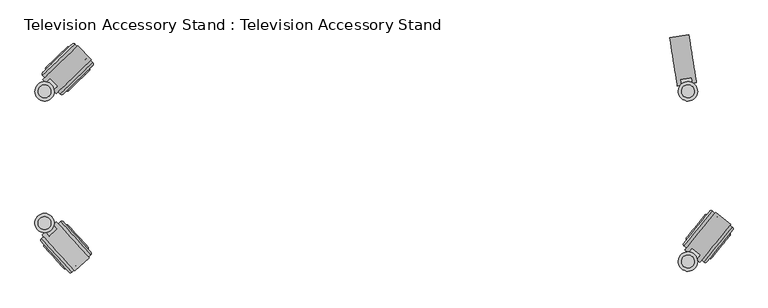
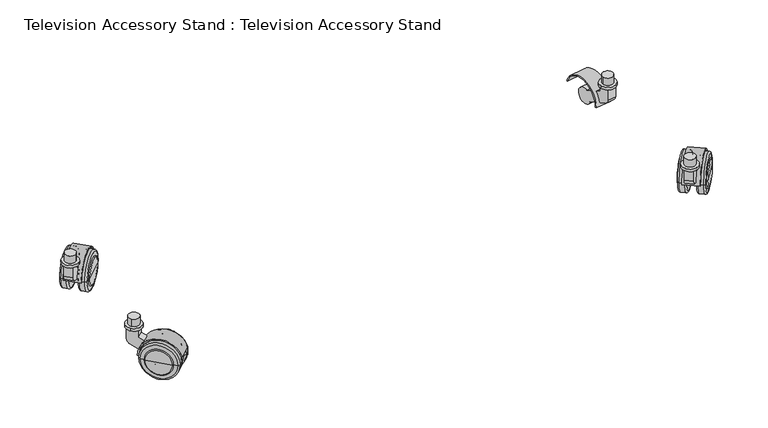
"""IFC4 building model written with IfcOpenShell, lengths in millimetres: furniture geometry, Television Accessory Stand : Television Accessory Stand."""

from ifc_helpers import new_model, si_unit, point, frame, frame_2d, origin, origin_2d, place, context, project, spatial, polyline, circle_curve, ellipse_curve, trimmed, segment, composite_curve, outline, extrude, source, transform, mapped, element, save
from ifc_brep_helpers import plane_surface, cylinder_surface, revolved_surface, advanced_brep


def television_accessory_stand_television_accessory_stand_86fd488f(model_context):
    return source(origin(), model_context, "Body", "SolidModel", [
        extrude(outline(composite_curve([segment(polyline([(-37.0, 0.0), (-39.0000001, 0.0)]), True, "CONTINUOUS"), segment(trimmed(circle_curve(origin_2d(), 39.0), [point((-39.0000001, 0.0))], [point((36.6480122, 13.3387856))], False, "CARTESIAN"), True, "CONTINUOUS"), segment(polyline([(36.6480122, 13.3387856), (34.768627, 12.6547453)]), True, "CONTINUOUS"), segment(trimmed(circle_curve(origin_2d(), 37.0), [point((34.768627, 12.6547453))], [point((-37.0, 0.0))], True, "CARTESIAN"), True, "CONTINUOUS")], self_intersect=False)), frame((146.3868656, -76.0571785, 35.0), z_axis=(-0.6946583704590072, 0.7193398003386415, 0.0), x_axis=(-0.6759583022158301, -0.6527653446874928, -0.34202014332566927)), (0.0, 0.0, 1.0), 30.0),
        extrude(outline(composite_curve([segment(polyline([(25.0, 0.0), (5.0, 0.0), (5.0, 21.6846171)]), True, "CONTINUOUS"), segment(trimmed(circle_curve(frame_2d((15.0, 21.6846171)), 10.0), [point((5.0, 21.6846171))], [point((10.7738174, 30.747695))], False, "CARTESIAN"), True, "CONTINUOUS"), segment(polyline([(10.7738174, 30.747695), (50.6409883, 49.3380621)]), True, "CONTINUOUS"), segment(trimmed(circle_curve(frame_2d((65.0, 45.0)), 15.0), [point((50.6409883, 49.3380621))], [point((80.0, 45.0))], False, "CARTESIAN"), True, "CONTINUOUS"), segment(trimmed(circle_curve(frame_2d((65.0, 45.0)), 15.0), [point((80.0, 45.0))], [point((59.0933535, 31.2119063))], False, "CARTESIAN"), True, "CONTINUOUS"), segment(polyline([(59.0933535, 31.2119063), (25.0, 15.3139145), (25.0, 0.0)]), True, "CONTINUOUS")], self_intersect=False)), frame((94.76717, -116.174594, 80.0), z_axis=(-0.6946583704590072, 0.7193398003386416, 0.0), x_axis=(0.7193398003386416, 0.6946583704590072, 0.0)), (0.0, 0.0, 1.0), 16.0),
        extrude(outline(composite_curve([segment(trimmed(circle_curve(frame_2d((100.0, -100.0)), 15.0), [point((89.5801244, -89.209903))], [point((110.4198756, -110.790097))], False, "CARTESIAN"), True, "CONTINUOUS"), segment(trimmed(circle_curve(frame_2d((100.0, -100.0)), 15.0), [point((110.4198756, -110.790097))], [point((89.5801244, -89.209903))], False, "CARTESIAN"), True, "CONTINUOUS")], self_intersect=False)), frame((0.0, 0.0, 80.0), z_axis=(0.0, 0.0, 1.0), x_axis=(1.0, 0.0, 0.0)), (0.0, 0.0, 1.0), 5.0),
        extrude(outline(composite_curve([segment(trimmed(circle_curve(frame_2d((100.0, -100.0)), 10.0), [point((93.0534163, -92.806602))], [point((106.9465837, -107.193398))], False, "CARTESIAN"), True, "CONTINUOUS"), segment(trimmed(circle_curve(frame_2d((100.0, -100.0)), 10.0), [point((106.9465837, -107.193398))], [point((93.0534163, -92.806602))], False, "CARTESIAN"), True, "CONTINUOUS")], self_intersect=False)), frame((0.0, 0.0, 85.0), z_axis=(0.0, 0.0, 1.0), x_axis=(1.0, 0.0, 0.0)), (0.0, 0.0, 1.0), 15.0),
        advanced_brep(
        [(174.9630061, -59.582829, 35.0), (151.9441325, -81.8118969, 35.0), (128.9252589, -104.0409647, 35.0), (175.0370504, -55.3408345, 35.0), (124.6832644, -103.9669204, 35.0), (168.7851251, -48.8667763, 35.0), (118.4313391, -97.4928622, 35.0), (164.5431306, -48.792732, 35.0), (118.5053834, -93.2508677, 35.0), (141.524257, -71.0217999, 35.0)],
        [
            (0, 1),
            (1, 2),
            (2, 0, circle_curve(frame((151.9441325, -81.8118969, 35.0), z_axis=(0.6946583704590004, -0.7193398003386482, 0.0), x_axis=(-0.7193398003386482, -0.6946583704590004, 0.0)), 32.0)),
            (0, 2, circle_curve(frame((151.9441325, -81.8118969, 35.0), z_axis=(0.6946583704590004, -0.7193398003386482, 0.0), x_axis=(-0.7193398003386482, -0.6946583704590004, 0.0)), 32.0)),
            (3, 0, circle_curve(frame((172.879031, -57.4248096, 35.0), z_axis=(0.0, 0.0, -1.0), x_axis=(-0.694658370458998, 0.7193398003386504, 0.0)), 3.0)),
            (2, 4, circle_curve(frame((126.8412838, -101.8829453, 35.0), z_axis=(0.0, 0.0, -1.0), x_axis=(-0.6946583704590027, 0.719339800338646, 0.0)), 3.0)),
            (4, 3, circle_curve(frame((149.8601574, -79.6538775, 35.0), z_axis=(0.6946583704590004, -0.7193398003386482, 0.0), x_axis=(-0.7193398003386482, -0.6946583704590004, 0.0)), 35.0)),
            (3, 4, circle_curve(frame((149.8601574, -79.6538775, 35.0), z_axis=(0.6946583704590004, -0.7193398003386482, 0.0), x_axis=(-0.7193398003386482, -0.6946583704590004, 0.0)), 35.0)),
            (5, 3),
            (4, 6),
            (6, 5, circle_curve(frame((143.6082321, -73.1798193, 35.0), z_axis=(0.6946583704590004, -0.7193398003386482, 0.0), x_axis=(-0.7193398003386482, -0.6946583704590004, 0.0)), 35.0)),
            (5, 6, circle_curve(frame((143.6082321, -73.1798193, 35.0), z_axis=(0.6946583704590004, -0.7193398003386482, 0.0), x_axis=(-0.7193398003386482, -0.6946583704590004, 0.0)), 35.0)),
            (7, 5, circle_curve(frame((166.6271057, -50.9507514, 35.0), z_axis=(0.0, 0.0, -1.0), x_axis=(-0.694658370458998, 0.7193398003386504, 0.0)), 3.0)),
            (6, 8, circle_curve(frame((120.5893585, -95.4088871, 35.0), z_axis=(0.0, 0.0, -1.0), x_axis=(-0.6946583704590027, 0.719339800338646, 0.0)), 3.0)),
            (8, 7, circle_curve(frame((141.524257, -71.0217999, 35.0), z_axis=(0.6946583704590004, -0.7193398003386482, 0.0), x_axis=(-0.7193398003386482, -0.6946583704590004, 0.0)), 32.0)),
            (7, 8, circle_curve(frame((141.524257, -71.0217999, 35.0), z_axis=(0.6946583704590004, -0.7193398003386482, 0.0), x_axis=(-0.7193398003386482, -0.6946583704590004, 0.0)), 32.0)),
            (9, 7),
            (8, 9),
        ],
        [
            plane_surface(frame((151.9441325, -81.8118969, 35.0), z_axis=(0.6946583704590004, -0.7193398003386482, 0.0), x_axis=(-0.7193398003386482, -0.6946583704590004, 0.0))),
            revolved_surface(trimmed(ellipse_curve(frame((126.8412838, -101.8829453, 35.0), z_axis=(0.0, 0.0, -1.0), x_axis=(-0.6946583704590027, 0.719339800338646, 0.0)), 3.0, 3.0), [point((128.9252589, -104.0409647, 35.0))], [point((124.6832644, -103.9669204, 35.0))], True, "CARTESIAN"), (141.524257, -71.0217999, 35.0), (-0.6946583704590004, 0.7193398003386482, 0.0)),
            cylinder_surface(frame((141.524257, -71.0217999, 35.0), z_axis=(-0.6946583704590004, 0.7193398003386482, 0.0), x_axis=(-0.7193398003386482, -0.6946583704590004, 0.0)), 35.0),
            revolved_surface(trimmed(ellipse_curve(frame((120.5893585, -95.4088871, 35.0), z_axis=(0.0, 0.0, -1.0), x_axis=(-0.6946583704590027, 0.719339800338646, 0.0)), 3.0, 3.0), [point((118.4313391, -97.4928622, 35.0))], [point((118.5053834, -93.2508677, 35.0))], True, "CARTESIAN"), (141.524257, -71.0217999, 35.0), (-0.6946583704590004, 0.7193398003386482, 0.0)),
            plane_surface(frame((141.524257, -71.0217999, 35.0), z_axis=(-0.6946583704590004, 0.7193398003386482, 0.0), x_axis=(-0.7193398003386482, -0.6946583704590004, 0.0))),
        ],
        [
            (0, [[1, 2, 3]]),
            (0, [[-2, -1, 4]]),
            (1, [[5, -3, 6, 7]]),
            (1, [[-6, -4, -5, 8]]),
            (2, [[9, -7, 10, 11]]),
            (2, [[-10, -8, -9, 12]]),
            (3, [[13, -11, 14, 15]]),
            (3, [[-14, -12, -13, 16]]),
            (4, [[17, -15, 18]]),
            (4, [[-18, -16, -17]]),
        ],
    ),
        advanced_brep(
        [(169.8782647, -67.273434, 35.0), (153.3334493, -83.2505765, 35.0), (136.7886339, -99.227719, 35.0), (169.9276275, -64.4454376, 35.0), (133.9606375, -99.1783561, 35.0), (151.9441325, -81.8118969, 35.0)],
        [
            (0, 1),
            (1, 2),
            (2, 0, circle_curve(frame((153.3334493, -83.2505765, 35.0), z_axis=(0.6946583704590004, -0.7193398003386482, 0.0), x_axis=(-0.7193398003386482, -0.6946583704590004, 0.0)), 23.0)),
            (0, 2, circle_curve(frame((153.3334493, -83.2505765, 35.0), z_axis=(0.6946583704590004, -0.7193398003386482, 0.0), x_axis=(-0.7193398003386482, -0.6946583704590004, 0.0)), 23.0)),
            (3, 0, circle_curve(frame((168.4889479, -65.8347544, 35.0), z_axis=(0.0, 0.0, -1.0), x_axis=(-0.6946583704590041, 0.7193398003386445, 0.0)), 2.0)),
            (2, 4, circle_curve(frame((135.3993171, -97.7890394, 35.0), z_axis=(0.0, 0.0, -1.0), x_axis=(-0.6946583704589966, 0.7193398003386519, 0.0)), 2.0)),
            (4, 3, circle_curve(frame((151.9441325, -81.8118969, 35.0), z_axis=(0.6946583704590004, -0.7193398003386482, 0.0), x_axis=(-0.7193398003386482, -0.6946583704590004, 0.0)), 25.0)),
            (3, 4, circle_curve(frame((151.9441325, -81.8118969, 35.0), z_axis=(0.6946583704590004, -0.7193398003386482, 0.0), x_axis=(-0.7193398003386482, -0.6946583704590004, 0.0)), 25.0)),
            (5, 3),
            (4, 5),
        ],
        [
            plane_surface(frame((153.3334493, -83.2505765, 35.0), z_axis=(0.6946583704590004, -0.7193398003386482, 0.0), x_axis=(-0.7193398003386482, -0.6946583704590004, 0.0))),
            revolved_surface(trimmed(ellipse_curve(frame((135.3993171, -97.7890394, 35.0), z_axis=(0.0, 0.0, -1.0), x_axis=(-0.6946583704589966, 0.7193398003386519, 0.0)), 2.0, 2.0), [point((136.7886339, -99.227719, 35.0))], [point((133.9606375, -99.1783561, 35.0))], True, "CARTESIAN"), (151.9441325, -81.8118969, 35.0), (-0.6946583704590004, 0.7193398003386482, 0.0)),
            plane_surface(frame((151.9441325, -81.8118969, 35.0), z_axis=(-0.6946583704590004, 0.7193398003386482, 0.0), x_axis=(-0.7193398003386482, -0.6946583704590004, 0.0))),
        ],
        [
            (0, [[1, 2, 3]]),
            (0, [[-2, -1, 4]]),
            (1, [[5, -3, 6, 7]]),
            (1, [[-6, -4, -5, 8]]),
            (2, [[9, -7, 10]]),
            (2, [[-10, -8, -9]]),
        ],
    ),
        advanced_brep(
        [(153.4285967, -37.2832952, 35.0), (130.4097231, -59.5123631, 35.0), (107.3908494, -81.7414309, 35.0), (153.502641, -33.0413007, 35.0), (103.1488549, -81.6673866, 35.0), (147.2507156, -26.5672425, 35.0), (96.8969296, -75.1933284, 35.0), (143.0087211, -26.4931982, 35.0), (96.9709739, -70.9513339, 35.0), (119.9898475, -48.7222661, 35.0)],
        [
            (0, 1),
            (1, 2),
            (2, 0, circle_curve(frame((130.4097231, -59.5123631, 35.0), z_axis=(0.694658370459005, -0.7193398003386438, 0.0), x_axis=(-0.7193398003386438, -0.694658370459005, 0.0)), 32.0)),
            (0, 2, circle_curve(frame((130.4097231, -59.5123631, 35.0), z_axis=(0.694658370459005, -0.7193398003386438, 0.0), x_axis=(-0.7193398003386438, -0.694658370459005, 0.0)), 32.0)),
            (3, 0, circle_curve(frame((151.3446216, -35.1252758, 35.0), z_axis=(0.0, 0.0, -1.0), x_axis=(0.6946583704590074, -0.7193398003386415, 0.0)), 3.0)),
            (2, 4, circle_curve(frame((105.3068743, -79.5834115, 35.0), z_axis=(0.0, 0.0, -1.0), x_axis=(0.6946583704590027, -0.719339800338646, 0.0)), 3.0)),
            (4, 3, circle_curve(frame((128.3257479, -57.3543437, 35.0), z_axis=(0.694658370459005, -0.7193398003386438, 0.0), x_axis=(-0.7193398003386438, -0.694658370459005, 0.0)), 35.0)),
            (3, 4, circle_curve(frame((128.3257479, -57.3543437, 35.0), z_axis=(0.694658370459005, -0.7193398003386438, 0.0), x_axis=(-0.7193398003386438, -0.694658370459005, 0.0)), 35.0)),
            (5, 3),
            (4, 6),
            (6, 5, circle_curve(frame((122.0738226, -50.8802855, 35.0), z_axis=(0.694658370459005, -0.7193398003386438, 0.0), x_axis=(-0.7193398003386438, -0.694658370459005, 0.0)), 35.0)),
            (5, 6, circle_curve(frame((122.0738226, -50.8802855, 35.0), z_axis=(0.694658370459005, -0.7193398003386438, 0.0), x_axis=(-0.7193398003386438, -0.694658370459005, 0.0)), 35.0)),
            (7, 5, circle_curve(frame((145.0926962, -28.6512176, 35.0), z_axis=(0.0, 0.0, -1.0), x_axis=(0.6946583704590074, -0.7193398003386415, 0.0)), 3.0)),
            (6, 8, circle_curve(frame((99.054949, -73.1093533, 35.0), z_axis=(0.0, 0.0, -1.0), x_axis=(0.6946583704590027, -0.719339800338646, 0.0)), 3.0)),
            (8, 7, circle_curve(frame((119.9898475, -48.7222661, 35.0), z_axis=(0.694658370459005, -0.7193398003386438, 0.0), x_axis=(-0.7193398003386438, -0.694658370459005, 0.0)), 32.0)),
            (7, 8, circle_curve(frame((119.9898475, -48.7222661, 35.0), z_axis=(0.694658370459005, -0.7193398003386438, 0.0), x_axis=(-0.7193398003386438, -0.694658370459005, 0.0)), 32.0)),
            (9, 7),
            (8, 9),
        ],
        [
            plane_surface(frame((130.4097231, -59.5123631, 35.0), z_axis=(0.694658370459005, -0.7193398003386438, 0.0), x_axis=(-0.7193398003386438, -0.694658370459005, 0.0))),
            revolved_surface(trimmed(ellipse_curve(frame((105.3068743, -79.5834115, 35.0), z_axis=(0.0, 0.0, -1.0), x_axis=(0.6946583704590027, -0.719339800338646, 0.0)), 3.0, 3.0), [point((107.3908494, -81.7414309, 35.0))], [point((103.1488549, -81.6673866, 35.0))], True, "CARTESIAN"), (130.4097231, -59.5123631, 35.0), (-0.694658370459005, 0.7193398003386438, 0.0)),
            cylinder_surface(frame((130.4097231, -59.5123631, 35.0), z_axis=(-0.694658370459005, 0.7193398003386438, 0.0), x_axis=(-0.7193398003386438, -0.694658370459005, 0.0)), 35.0),
            revolved_surface(trimmed(ellipse_curve(frame((99.054949, -73.1093533, 35.0), z_axis=(0.0, 0.0, -1.0), x_axis=(0.6946583704590027, -0.719339800338646, 0.0)), 3.0, 3.0), [point((96.8969296, -75.1933284, 35.0))], [point((96.9709739, -70.9513339, 35.0))], True, "CARTESIAN"), (130.4097231, -59.5123631, 35.0), (-0.694658370459005, 0.7193398003386438, 0.0)),
            plane_surface(frame((119.9898475, -48.7222661, 35.0), z_axis=(-0.694658370459005, 0.7193398003386438, 0.0), x_axis=(-0.7193398003386438, -0.694658370459005, 0.0))),
        ],
        [
            (0, [[1, 2, 3]]),
            (0, [[-2, -1, 4]]),
            (1, [[5, -3, 6, 7]]),
            (1, [[-6, -4, -5, 8]]),
            (2, [[9, -7, 10, 11]]),
            (2, [[-10, -8, -9, 12]]),
            (3, [[13, -11, 14, 15]]),
            (3, [[-14, -12, -13, 16]]),
            (4, [[17, -15, 18]]),
            (4, [[-18, -16, -17]]),
        ],
    ),
        advanced_brep(
        [(137.9733425, -31.3558068, 35.0), (119.9898475, -48.7222661, 35.0), (102.0063525, -66.0887253, 35.0), (135.1453462, -31.3064439, 35.0), (102.0557153, -63.260729, 35.0), (118.6005308, -47.2835865, 35.0)],
        [
            (0, 1),
            (1, 2),
            (2, 0, circle_curve(frame((119.9898475, -48.7222661, 35.0), z_axis=(0.694658370459005, -0.7193398003386438, 0.0), x_axis=(-0.7193398003386438, -0.694658370459005, 0.0)), 25.0)),
            (0, 2, circle_curve(frame((119.9898475, -48.7222661, 35.0), z_axis=(0.694658370459005, -0.7193398003386438, 0.0), x_axis=(-0.7193398003386438, -0.694658370459005, 0.0)), 25.0)),
            (3, 0, circle_curve(frame((136.5346629, -32.7451235, 35.0), z_axis=(0.0, 0.0, -1.0), x_axis=(0.6946583704590013, -0.7193398003386474, 0.0)), 2.0)),
            (2, 4, circle_curve(frame((103.4450321, -64.6994086, 35.0), z_axis=(0.0, 0.0, -1.0), x_axis=(0.6946583704590088, -0.7193398003386401, 0.0)), 2.0)),
            (4, 3, circle_curve(frame((118.6005308, -47.2835865, 35.0), z_axis=(0.694658370459005, -0.7193398003386438, 0.0), x_axis=(-0.7193398003386438, -0.694658370459005, 0.0)), 23.0)),
            (3, 4, circle_curve(frame((118.6005308, -47.2835865, 35.0), z_axis=(0.694658370459005, -0.7193398003386438, 0.0), x_axis=(-0.7193398003386438, -0.694658370459005, 0.0)), 23.0)),
            (5, 3),
            (4, 5),
        ],
        [
            plane_surface(frame((119.9898475, -48.7222661, 35.0), z_axis=(0.694658370459005, -0.7193398003386438, 0.0), x_axis=(-0.7193398003386438, -0.694658370459005, 0.0))),
            revolved_surface(trimmed(ellipse_curve(frame((103.4450321, -64.6994086, 35.0), z_axis=(0.0, 0.0, -1.0), x_axis=(0.6946583704590088, -0.7193398003386401, 0.0)), 2.0, 2.0), [point((102.0063525, -66.0887253, 35.0))], [point((102.0557153, -63.260729, 35.0))], True, "CARTESIAN"), (119.9898475, -48.7222661, 35.0), (-0.694658370459005, 0.7193398003386438, 0.0)),
            plane_surface(frame((118.6005308, -47.2835865, 35.0), z_axis=(-0.694658370459005, 0.7193398003386438, 0.0), x_axis=(-0.7193398003386438, -0.694658370459005, 0.0))),
        ],
        [
            (0, [[1, 2, 3]]),
            (0, [[-2, -1, 4]]),
            (1, [[5, -3, 6, 7]]),
            (1, [[-6, -4, -5, 8]]),
            (2, [[9, -7, 10]]),
            (2, [[-10, -8, -9]]),
        ],
    ),
        extrude(outline(composite_curve([segment(polyline([(-37.0, 0.0), (-39.0, 0.0)]), True, "CONTINUOUS"), segment(trimmed(circle_curve(origin_2d(), 39.0), [point((-39.0, 0.0))], [point((36.6480122, 13.3387856))], False, "CARTESIAN"), True, "CONTINUOUS"), segment(polyline([(36.6480122, 13.3387856), (34.768627, 12.6547453)]), True, "CONTINUOUS"), segment(trimmed(circle_curve(origin_2d(), 37.0), [point((34.768627, 12.6547453))], [point((-37.0, 0.0))], True, "CARTESIAN"), True, "CONTINUOUS")], self_intersect=False)), frame((122.3093579, -352.1942004, 35.0), z_axis=(0.7431448254773843, 0.6691306063588693, 0.0), x_axis=(-0.6287770931374298, 0.6983277086763295, -0.34202014332566927)), (0.0, 0.0, 1.0), 30.0),
        extrude(outline(composite_curve([segment(polyline([(25.0, 0.0), (5.0, 0.0), (5.0, 21.6846171)]), True, "CONTINUOUS"), segment(trimmed(circle_curve(frame_2d((15.0, 21.6846171)), 10.0), [point((5.0, 21.6846171))], [point((10.7738174, 30.747695))], False, "CARTESIAN"), True, "CONTINUOUS"), segment(polyline([(10.7738174, 30.747695), (50.6409883, 49.3380621)]), True, "CONTINUOUS"), segment(trimmed(circle_curve(frame_2d((64.9999999, 45.0)), 15.0), [point((50.6409883, 49.3380621))], [point((80.0, 45.0))], False, "CARTESIAN"), True, "CONTINUOUS"), segment(trimmed(circle_curve(frame_2d((64.9999999, 45.0)), 15.0), [point((80.0, 45.0))], [point((59.0933535, 31.2119063))], False, "CARTESIAN"), True, "CONTINUOUS"), segment(polyline([(59.0933535, 31.2119063), (25.0, 15.3139145), (25.0, 0.0)]), True, "CONTINUOUS")], self_intersect=False)), frame((84.0178823, -299.2058725, 80.0), z_axis=(0.7431448254773843, 0.6691306063588693, 0.0), x_axis=(0.6691306063588693, -0.7431448254773843, 0.0)), (0.0, 0.0, 1.0), 16.0),
        extrude(outline(composite_curve([segment(trimmed(circle_curve(frame_2d((100.0, -305.0)), 15.0), [point((111.1471724, -294.9630409))], [point((88.8528276, -315.0369591))], False, "CARTESIAN"), True, "CONTINUOUS"), segment(trimmed(circle_curve(frame_2d((100.0, -305.0)), 15.0), [point((88.8528276, -315.0369591))], [point((111.1471724, -294.9630409))], False, "CARTESIAN"), True, "CONTINUOUS")], self_intersect=False)), frame((0.0, 0.0, 80.0), z_axis=(0.0, 0.0, 1.0), x_axis=(1.0, 0.0, 0.0)), (0.0, 0.0, 1.0), 5.0),
        extrude(outline(composite_curve([segment(trimmed(circle_curve(frame_2d((100.0, -305.0)), 10.0), [point((107.4314483, -298.3086939))], [point((92.5685517, -311.6913061))], False, "CARTESIAN"), True, "CONTINUOUS"), segment(trimmed(circle_curve(frame_2d((100.0, -305.0)), 10.0), [point((92.5685517, -311.6913061))], [point((107.4314483, -298.3086939))], False, "CARTESIAN"), True, "CONTINUOUS")], self_intersect=False)), frame((0.0, 0.0, 85.0), z_axis=(0.0, 0.0, 1.0), x_axis=(1.0, 0.0, 0.0)), (0.0, 0.0, 1.0), 15.0),
        advanced_brep(
        [(137.7763787, -381.3278796, 35.0), (116.3641993, -357.5472452, 35.0), (94.9520199, -333.7666108, 35.0), (142.013205, -381.5499223, 35.0), (95.1740626, -329.5297845, 35.0), (148.7015085, -375.5277468, 35.0), (101.862366, -323.5076091, 35.0), (148.9235511, -371.2909205, 35.0), (106.0991923, -323.7296517, 35.0), (127.5113717, -347.5102861, 35.0)],
        [
            (0, 1),
            (1, 2),
            (2, 0, circle_curve(frame((116.3641993, -357.5472452, 35.0), z_axis=(-0.7431448254773907, -0.6691306063588622, 0.0), x_axis=(-0.6691306063588622, 0.7431448254773907, 0.0)), 32.0)),
            (0, 2, circle_curve(frame((116.3641993, -357.5472452, 35.0), z_axis=(-0.7431448254773907, -0.6691306063588622, 0.0), x_axis=(-0.6691306063588622, 0.7431448254773907, 0.0)), 32.0)),
            (3, 0, circle_curve(frame((140.0058132, -379.3204878, 35.0), z_axis=(0.0, 0.0, -1.0), x_axis=(0.7431448254773929, 0.6691306063588598, 0.0)), 3.0)),
            (2, 4, circle_curve(frame((97.1814544, -331.759219, 35.0), z_axis=(0.0, 0.0, -1.0), x_axis=(0.7431448254773885, 0.6691306063588647, 0.0)), 3.0)),
            (4, 3, circle_curve(frame((118.5936338, -355.5398534, 35.0), z_axis=(-0.7431448254773907, -0.6691306063588622, 0.0), x_axis=(-0.6691306063588622, 0.7431448254773907, 0.0)), 35.0)),
            (3, 4, circle_curve(frame((118.5936338, -355.5398534, 35.0), z_axis=(-0.7431448254773907, -0.6691306063588622, 0.0), x_axis=(-0.6691306063588622, 0.7431448254773907, 0.0)), 35.0)),
            (5, 3),
            (4, 6),
            (6, 5, circle_curve(frame((125.2819372, -349.5176779, 35.0), z_axis=(-0.7431448254773907, -0.6691306063588622, 0.0), x_axis=(-0.6691306063588622, 0.7431448254773907, 0.0)), 35.0)),
            (5, 6, circle_curve(frame((125.2819372, -349.5176779, 35.0), z_axis=(-0.7431448254773907, -0.6691306063588622, 0.0), x_axis=(-0.6691306063588622, 0.7431448254773907, 0.0)), 35.0)),
            (7, 5, circle_curve(frame((146.6941166, -373.2983124, 35.0), z_axis=(0.0, 0.0, -1.0), x_axis=(0.7431448254773929, 0.6691306063588598, 0.0)), 3.0)),
            (6, 8, circle_curve(frame((103.8697578, -325.7370435, 35.0), z_axis=(0.0, 0.0, -1.0), x_axis=(0.7431448254773885, 0.6691306063588647, 0.0)), 3.0)),
            (8, 7, circle_curve(frame((127.5113717, -347.5102861, 35.0), z_axis=(-0.7431448254773907, -0.6691306063588622, 0.0), x_axis=(-0.6691306063588622, 0.7431448254773907, 0.0)), 32.0)),
            (7, 8, circle_curve(frame((127.5113717, -347.5102861, 35.0), z_axis=(-0.7431448254773907, -0.6691306063588622, 0.0), x_axis=(-0.6691306063588622, 0.7431448254773907, 0.0)), 32.0)),
            (9, 7),
            (8, 9),
        ],
        [
            plane_surface(frame((116.3641993, -357.5472452, 35.0), z_axis=(-0.7431448254773907, -0.6691306063588622, 0.0), x_axis=(-0.6691306063588622, 0.7431448254773907, 0.0))),
            revolved_surface(trimmed(ellipse_curve(frame((97.1814544, -331.759219, 35.0), z_axis=(0.0, 0.0, -1.0), x_axis=(0.7431448254773885, 0.6691306063588647, 0.0)), 3.0, 3.0), [point((94.9520199, -333.7666108, 35.0))], [point((95.1740626, -329.5297845, 35.0))], True, "CARTESIAN"), (127.5113717, -347.5102861, 35.0), (0.7431448254773907, 0.6691306063588622, 0.0)),
            cylinder_surface(frame((127.5113717, -347.5102861, 35.0), z_axis=(0.7431448254773907, 0.6691306063588622, 0.0), x_axis=(-0.6691306063588622, 0.7431448254773907, 0.0)), 35.0),
            revolved_surface(trimmed(ellipse_curve(frame((103.8697578, -325.7370435, 35.0), z_axis=(0.0, 0.0, -1.0), x_axis=(0.7431448254773885, 0.6691306063588647, 0.0)), 3.0, 3.0), [point((101.862366, -323.5076091, 35.0))], [point((106.0991923, -323.7296517, 35.0))], True, "CARTESIAN"), (127.5113717, -347.5102861, 35.0), (0.7431448254773907, 0.6691306063588622, 0.0)),
            plane_surface(frame((127.5113717, -347.5102861, 35.0), z_axis=(0.7431448254773907, 0.6691306063588622, 0.0), x_axis=(-0.6691306063588622, 0.7431448254773907, 0.0))),
        ],
        [
            (0, [[1, 2, 3]]),
            (0, [[-2, -1, 4]]),
            (1, [[5, -3, 6, 7]]),
            (1, [[-6, -4, -5, 8]]),
            (2, [[9, -7, 10, 11]]),
            (2, [[-10, -8, -9, 12]]),
            (3, [[13, -11, 14, 15]]),
            (3, [[-14, -12, -13, 16]]),
            (4, [[17, -15, 18]]),
            (4, [[-18, -16, -17]]),
        ],
    ),
        advanced_brep(
        [(130.2679136, -375.9778374, 35.0), (114.8779097, -358.8855064, 35.0), (99.4879057, -341.7931754, 35.0), (133.0924645, -376.1258659, 35.0), (99.6359342, -338.9686246, 35.0), (116.3641993, -357.5472452, 35.0)],
        [
            (0, 1),
            (1, 2),
            (2, 0, circle_curve(frame((114.8779097, -358.8855064, 35.0), z_axis=(-0.7431448254773907, -0.6691306063588622, 0.0), x_axis=(-0.6691306063588622, 0.7431448254773907, 0.0)), 23.0)),
            (0, 2, circle_curve(frame((114.8779097, -358.8855064, 35.0), z_axis=(-0.7431448254773907, -0.6691306063588622, 0.0), x_axis=(-0.6691306063588622, 0.7431448254773907, 0.0)), 23.0)),
            (3, 0, circle_curve(frame((131.7542033, -374.6395762, 35.0), z_axis=(0.0, 0.0, -1.0), x_axis=(0.7431448254773872, 0.6691306063588661, 0.0)), 2.0)),
            (2, 4, circle_curve(frame((100.9741954, -340.4549142, 35.0), z_axis=(0.0, 0.0, -1.0), x_axis=(0.7431448254773941, 0.6691306063588583, 0.0)), 2.0)),
            (4, 3, circle_curve(frame((116.3641993, -357.5472452, 35.0), z_axis=(-0.7431448254773907, -0.6691306063588622, 0.0), x_axis=(-0.6691306063588622, 0.7431448254773907, 0.0)), 25.0)),
            (3, 4, circle_curve(frame((116.3641993, -357.5472452, 35.0), z_axis=(-0.7431448254773907, -0.6691306063588622, 0.0), x_axis=(-0.6691306063588622, 0.7431448254773907, 0.0)), 25.0)),
            (5, 3),
            (4, 5),
        ],
        [
            plane_surface(frame((114.8779097, -358.8855064, 35.0), z_axis=(-0.7431448254773907, -0.6691306063588622, 0.0), x_axis=(-0.6691306063588622, 0.7431448254773907, 0.0))),
            revolved_surface(trimmed(ellipse_curve(frame((100.9741954, -340.4549142, 35.0), z_axis=(0.0, 0.0, -1.0), x_axis=(0.7431448254773941, 0.6691306063588583, 0.0)), 2.0, 2.0), [point((99.4879057, -341.7931754, 35.0))], [point((99.6359342, -338.9686246, 35.0))], True, "CARTESIAN"), (116.3641993, -357.5472452, 35.0), (0.7431448254773907, 0.6691306063588622, 0.0)),
            plane_surface(frame((116.3641993, -357.5472452, 35.0), z_axis=(0.7431448254773907, 0.6691306063588622, 0.0), x_axis=(-0.6691306063588622, 0.7431448254773907, 0.0))),
        ],
        [
            (0, [[1, 2, 3]]),
            (0, [[-2, -1, 4]]),
            (1, [[5, -3, 6, 7]]),
            (1, [[-6, -4, -5, 8]]),
            (2, [[9, -7, 10]]),
            (2, [[-10, -8, -9]]),
        ],
    ),
        advanced_brep(
        [(160.8138683, -360.5848308, 35.0), (139.4016889, -336.8041964, 35.0), (117.9895095, -313.023562, 35.0), (165.0506946, -360.8068735, 35.0), (118.2115522, -308.7867357, 35.0), (171.7389981, -354.784698, 35.0), (124.8998556, -302.7645603, 35.0), (171.9610407, -350.5478717, 35.0), (129.1366819, -302.9866029, 35.0), (150.5488613, -326.7672373, 35.0)],
        [
            (0, 1),
            (1, 2),
            (2, 0, circle_curve(frame((139.4016889, -336.8041964, 35.0), z_axis=(-0.7431448254773863, -0.6691306063588671, 0.0), x_axis=(-0.6691306063588671, 0.7431448254773863, 0.0)), 32.0)),
            (0, 2, circle_curve(frame((139.4016889, -336.8041964, 35.0), z_axis=(-0.7431448254773863, -0.6691306063588671, 0.0), x_axis=(-0.6691306063588671, 0.7431448254773863, 0.0)), 32.0)),
            (3, 0, circle_curve(frame((163.0433028, -358.577439, 35.0), z_axis=(0.0, 0.0, -1.0), x_axis=(-0.743144825477384, -0.6691306063588696, 0.0)), 3.0)),
            (2, 4, circle_curve(frame((120.218944, -311.0161702, 35.0), z_axis=(0.0, 0.0, -1.0), x_axis=(-0.7431448254773885, -0.6691306063588647, 0.0)), 3.0)),
            (4, 3, circle_curve(frame((141.6311234, -334.7968046, 35.0), z_axis=(-0.7431448254773863, -0.6691306063588671, 0.0), x_axis=(-0.6691306063588671, 0.7431448254773863, 0.0)), 35.0)),
            (3, 4, circle_curve(frame((141.6311234, -334.7968046, 35.0), z_axis=(-0.7431448254773863, -0.6691306063588671, 0.0), x_axis=(-0.6691306063588671, 0.7431448254773863, 0.0)), 35.0)),
            (5, 3),
            (4, 6),
            (6, 5, circle_curve(frame((148.3194268, -328.7746291, 35.0), z_axis=(-0.7431448254773863, -0.6691306063588671, 0.0), x_axis=(-0.6691306063588671, 0.7431448254773863, 0.0)), 35.0)),
            (5, 6, circle_curve(frame((148.3194268, -328.7746291, 35.0), z_axis=(-0.7431448254773863, -0.6691306063588671, 0.0), x_axis=(-0.6691306063588671, 0.7431448254773863, 0.0)), 35.0)),
            (7, 5, circle_curve(frame((169.7316062, -352.5552636, 35.0), z_axis=(0.0, 0.0, -1.0), x_axis=(-0.743144825477384, -0.6691306063588696, 0.0)), 3.0)),
            (6, 8, circle_curve(frame((126.9072474, -304.9939947, 35.0), z_axis=(0.0, 0.0, -1.0), x_axis=(-0.7431448254773885, -0.6691306063588647, 0.0)), 3.0)),
            (8, 7, circle_curve(frame((150.5488613, -326.7672373, 35.0), z_axis=(-0.7431448254773863, -0.6691306063588671, 0.0), x_axis=(-0.6691306063588671, 0.7431448254773863, 0.0)), 32.0)),
            (7, 8, circle_curve(frame((150.5488613, -326.7672373, 35.0), z_axis=(-0.7431448254773863, -0.6691306063588671, 0.0), x_axis=(-0.6691306063588671, 0.7431448254773863, 0.0)), 32.0)),
            (9, 7),
            (8, 9),
        ],
        [
            plane_surface(frame((139.4016889, -336.8041964, 35.0), z_axis=(-0.7431448254773863, -0.6691306063588671, 0.0), x_axis=(-0.6691306063588671, 0.7431448254773863, 0.0))),
            revolved_surface(trimmed(ellipse_curve(frame((120.218944, -311.0161702, 35.0), z_axis=(0.0, 0.0, -1.0), x_axis=(-0.7431448254773885, -0.6691306063588647, 0.0)), 3.0, 3.0), [point((117.9895095, -313.023562, 35.0))], [point((118.2115522, -308.7867357, 35.0))], True, "CARTESIAN"), (139.4016889, -336.8041964, 35.0), (0.7431448254773863, 0.6691306063588671, 0.0)),
            cylinder_surface(frame((139.4016889, -336.8041964, 35.0), z_axis=(0.7431448254773863, 0.6691306063588671, 0.0), x_axis=(-0.6691306063588671, 0.7431448254773863, 0.0)), 35.0),
            revolved_surface(trimmed(ellipse_curve(frame((126.9072474, -304.9939947, 35.0), z_axis=(0.0, 0.0, -1.0), x_axis=(-0.7431448254773885, -0.6691306063588647, 0.0)), 3.0, 3.0), [point((124.8998556, -302.7645603, 35.0))], [point((129.1366819, -302.9866029, 35.0))], True, "CARTESIAN"), (139.4016889, -336.8041964, 35.0), (0.7431448254773863, 0.6691306063588671, 0.0)),
            plane_surface(frame((150.5488613, -326.7672373, 35.0), z_axis=(0.7431448254773863, 0.6691306063588671, 0.0), x_axis=(-0.6691306063588671, 0.7431448254773863, 0.0))),
        ],
        [
            (0, [[1, 2, 3]]),
            (0, [[-2, -1, 4]]),
            (1, [[5, -3, 6, 7]]),
            (1, [[-6, -4, -5, 8]]),
            (2, [[9, -7, 10, 11]]),
            (2, [[-10, -8, -9, 12]]),
            (3, [[13, -11, 14, 15]]),
            (3, [[-14, -12, -13, 16]]),
            (4, [[17, -15, 18]]),
            (4, [[-18, -16, -17]]),
        ],
    ),
        advanced_brep(
        [(167.2771265, -345.345858, 35.0), (150.5488613, -326.7672373, 35.0), (133.8205961, -308.1886167, 35.0), (167.4251549, -342.5213071, 35.0), (136.645147, -308.3366451, 35.0), (152.035151, -325.4289761, 35.0)],
        [
            (0, 1),
            (1, 2),
            (2, 0, circle_curve(frame((150.5488613, -326.7672373, 35.0), z_axis=(-0.7431448254773863, -0.6691306063588671, 0.0), x_axis=(-0.6691306063588671, 0.7431448254773863, 0.0)), 25.0)),
            (0, 2, circle_curve(frame((150.5488613, -326.7672373, 35.0), z_axis=(-0.7431448254773863, -0.6691306063588671, 0.0), x_axis=(-0.6691306063588671, 0.7431448254773863, 0.0)), 25.0)),
            (3, 0, circle_curve(frame((165.9388653, -343.8595683, 35.0), z_axis=(0.0, 0.0, -1.0), x_axis=(-0.7431448254773897, -0.6691306063588632, 0.0)), 2.0)),
            (2, 4, circle_curve(frame((135.1588574, -309.6749063, 35.0), z_axis=(0.0, 0.0, -1.0), x_axis=(-0.7431448254773828, -0.669130606358871, 0.0)), 2.0)),
            (4, 3, circle_curve(frame((152.035151, -325.4289761, 35.0), z_axis=(-0.7431448254773863, -0.6691306063588671, 0.0), x_axis=(-0.6691306063588671, 0.7431448254773863, 0.0)), 23.0)),
            (3, 4, circle_curve(frame((152.035151, -325.4289761, 35.0), z_axis=(-0.7431448254773863, -0.6691306063588671, 0.0), x_axis=(-0.6691306063588671, 0.7431448254773863, 0.0)), 23.0)),
            (5, 3),
            (4, 5),
        ],
        [
            plane_surface(frame((150.5488613, -326.7672373, 35.0), z_axis=(-0.7431448254773863, -0.6691306063588671, 0.0), x_axis=(-0.6691306063588671, 0.7431448254773863, 0.0))),
            revolved_surface(trimmed(ellipse_curve(frame((135.1588574, -309.6749063, 35.0), z_axis=(0.0, 0.0, -1.0), x_axis=(-0.7431448254773828, -0.669130606358871, 0.0)), 2.0, 2.0), [point((133.8205961, -308.1886167, 35.0))], [point((136.645147, -308.3366451, 35.0))], True, "CARTESIAN"), (150.5488613, -326.7672373, 35.0), (0.7431448254773863, 0.6691306063588671, 0.0)),
            plane_surface(frame((152.035151, -325.4289761, 35.0), z_axis=(0.7431448254773863, 0.6691306063588671, 0.0), x_axis=(-0.6691306063588671, 0.7431448254773863, 0.0))),
        ],
        [
            (0, [[1, 2, 3]]),
            (0, [[-2, -1, 4]]),
            (1, [[5, -3, 6, 7]]),
            (1, [[-6, -4, -5, 8]]),
            (2, [[9, -7, 10]]),
            (2, [[-10, -8, -9]]),
        ],
    ),
        extrude(outline(composite_curve([segment(polyline([(-37.0, 0.0), (-39.0, 0.0)]), True, "CONTINUOUS"), segment(trimmed(circle_curve(origin_2d(), 39.0), [point((-39.0, 0.0))], [point((36.6480122, 13.3387856))], False, "CARTESIAN"), True, "CONTINUOUS"), segment(polyline([(36.6480122, 13.3387856), (34.768627, 12.6547453)]), True, "CONTINUOUS"), segment(trimmed(circle_curve(origin_2d(), 37.0), [point((34.768627, 12.6547453))], [point((-37.0, 0.0))], True, "CARTESIAN"), True, "CONTINUOUS")], self_intersect=False)), frame((1143.123209, -335.5825078, 35.0), z_axis=(-0.7771459614569797, 0.6293203910498266, 0.0), x_axis=(-0.5913677275796242, -0.7302783252546936, -0.3420201433256693)), (0.0, 0.0, 1.0), 30.0),
        extrude(outline(composite_curve([segment(polyline([(25.0000001, 0.0), (5.0000001, 0.0), (5.0000001, 21.6846171)]), True, "CONTINUOUS"), segment(trimmed(circle_curve(frame_2d((15.0000001, 21.6846171)), 10.0), [point((5.0000001, 21.6846171))], [point((10.7738174, 30.747695))], False, "CARTESIAN"), True, "CONTINUOUS"), segment(polyline([(10.7738174, 30.747695), (50.6409884, 49.3380621)]), True, "CONTINUOUS"), segment(trimmed(circle_curve(frame_2d((65.0, 45.0)), 15.0), [point((50.6409884, 49.3380621))], [point((80.0000001, 45.0))], False, "CARTESIAN"), True, "CONTINUOUS"), segment(trimmed(circle_curve(frame_2d((65.0, 45.0)), 15.0), [point((80.0000001, 45.0))], [point((59.0933536, 31.2119063))], False, "CARTESIAN"), True, "CONTINUOUS"), segment(polyline([(59.0933536, 31.2119063), (25.0000001, 15.3139145), (25.0000001, 0.0)]), True, "CONTINUOUS")], self_intersect=False)), frame((1096.7773618, -381.6917526, 80.0), z_axis=(-0.7771459614569798, 0.6293203910498266, 0.0), x_axis=(0.6293203910498266, 0.7771459614569798, 0.0)), (0.0, 0.0, 1.0), 16.0),
        extrude(outline(composite_curve([segment(trimmed(circle_curve(frame_2d((1100.0, -365.0)), 15.0), [point((1088.3428106, -355.5601941))], [point((1111.6571894, -374.4398059))], False, "CARTESIAN"), True, "CONTINUOUS"), segment(trimmed(circle_curve(frame_2d((1100.0, -365.0)), 15.0), [point((1111.6571894, -374.4398059))], [point((1088.3428106, -355.5601941))], False, "CARTESIAN"), True, "CONTINUOUS")], self_intersect=False)), frame((0.0, 0.0, 80.0), z_axis=(0.0, 0.0, 1.0), x_axis=(1.0, 0.0, 0.0)), (0.0, 0.0, 1.0), 5.0),
        extrude(outline(composite_curve([segment(trimmed(circle_curve(frame_2d((1100.0, -365.0)), 10.0), [point((1092.2285404, -358.7067961))], [point((1107.7714596, -371.2932039))], False, "CARTESIAN"), True, "CONTINUOUS"), segment(trimmed(circle_curve(frame_2d((1100.0, -365.0)), 10.0), [point((1107.7714596, -371.2932039))], [point((1092.2285404, -358.7067961))], False, "CARTESIAN"), True, "CONTINUOUS")], self_intersect=False)), frame((0.0, 0.0, 85.0), z_axis=(0.0, 0.0, 1.0), x_axis=(1.0, 0.0, 0.0)), (0.0, 0.0, 1.0), 15.0),
        advanced_brep(
        [(1169.4786292, -315.7484002, 35.0), (1149.3403767, -340.6170709, 35.0), (1129.2021242, -365.4857417, 35.0), (1169.0351525, -311.5290011, 35.0), (1124.9827251, -365.9292184, 35.0), (1162.0408388, -305.8651176, 35.0), (1117.9884114, -360.2653349, 35.0), (1157.8214398, -306.3085943, 35.0), (1117.5449347, -356.0459358, 35.0), (1137.6831872, -331.1772651, 35.0)],
        [
            (0, 1),
            (1, 2),
            (2, 0, circle_curve(frame((1149.3403767, -340.6170709, 35.0), z_axis=(0.7771459614569737, -0.629320391049834, 0.0), x_axis=(-0.629320391049834, -0.7771459614569737, 0.0)), 32.0)),
            (0, 2, circle_curve(frame((1149.3403767, -340.6170709, 35.0), z_axis=(0.7771459614569737, -0.629320391049834, 0.0), x_axis=(-0.629320391049834, -0.7771459614569737, 0.0)), 32.0)),
            (3, 0, circle_curve(frame((1167.1471913, -313.860439, 35.0), z_axis=(0.0, 0.0, -1.0), x_axis=(-0.7771459614569717, 0.6293203910498365, 0.0)), 3.0)),
            (2, 4, circle_curve(frame((1126.8706863, -363.5977805, 35.0), z_axis=(0.0, 0.0, -1.0), x_axis=(-0.7771459614569757, 0.6293203910498314, 0.0)), 3.0)),
            (4, 3, circle_curve(frame((1147.0089388, -338.7291097, 35.0), z_axis=(0.7771459614569737, -0.629320391049834, 0.0), x_axis=(-0.629320391049834, -0.7771459614569737, 0.0)), 35.0)),
            (3, 4, circle_curve(frame((1147.0089388, -338.7291097, 35.0), z_axis=(0.7771459614569737, -0.629320391049834, 0.0), x_axis=(-0.629320391049834, -0.7771459614569737, 0.0)), 35.0)),
            (5, 3),
            (4, 6),
            (6, 5, circle_curve(frame((1140.0146251, -333.0652262, 35.0), z_axis=(0.7771459614569737, -0.629320391049834, 0.0), x_axis=(-0.629320391049834, -0.7771459614569737, 0.0)), 35.0)),
            (5, 6, circle_curve(frame((1140.0146251, -333.0652262, 35.0), z_axis=(0.7771459614569737, -0.629320391049834, 0.0), x_axis=(-0.629320391049834, -0.7771459614569737, 0.0)), 35.0)),
            (7, 5, circle_curve(frame((1160.1528776, -308.1965555, 35.0), z_axis=(0.0, 0.0, -1.0), x_axis=(-0.7771459614569717, 0.6293203910498365, 0.0)), 3.0)),
            (6, 8, circle_curve(frame((1119.8763726, -357.933897, 35.0), z_axis=(0.0, 0.0, -1.0), x_axis=(-0.7771459614569757, 0.6293203910498314, 0.0)), 3.0)),
            (8, 7, circle_curve(frame((1137.6831872, -331.1772651, 35.0), z_axis=(0.7771459614569737, -0.629320391049834, 0.0), x_axis=(-0.629320391049834, -0.7771459614569737, 0.0)), 32.0)),
            (7, 8, circle_curve(frame((1137.6831872, -331.1772651, 35.0), z_axis=(0.7771459614569737, -0.629320391049834, 0.0), x_axis=(-0.629320391049834, -0.7771459614569737, 0.0)), 32.0)),
            (9, 7),
            (8, 9),
        ],
        [
            plane_surface(frame((1149.3403767, -340.6170709, 35.0), z_axis=(0.7771459614569737, -0.629320391049834, 0.0), x_axis=(-0.629320391049834, -0.7771459614569737, 0.0))),
            revolved_surface(trimmed(ellipse_curve(frame((1126.8706863, -363.5977805, 35.0), z_axis=(0.0, 0.0, -1.0), x_axis=(-0.7771459614569757, 0.6293203910498314, 0.0)), 3.0, 3.0), [point((1129.2021242, -365.4857417, 35.0))], [point((1124.9827251, -365.9292184, 35.0))], True, "CARTESIAN"), (1137.6831872, -331.1772651, 35.0), (-0.7771459614569737, 0.629320391049834, 0.0)),
            cylinder_surface(frame((1137.6831872, -331.1772651, 35.0), z_axis=(-0.7771459614569737, 0.629320391049834, 0.0), x_axis=(-0.629320391049834, -0.7771459614569737, 0.0)), 35.0),
            revolved_surface(trimmed(ellipse_curve(frame((1119.8763726, -357.933897, 35.0), z_axis=(0.0, 0.0, -1.0), x_axis=(-0.7771459614569757, 0.6293203910498314, 0.0)), 3.0, 3.0), [point((1117.9884114, -360.2653349, 35.0))], [point((1117.5449347, -356.0459358, 35.0))], True, "CARTESIAN"), (1137.6831872, -331.1772651, 35.0), (-0.7771459614569737, 0.629320391049834, 0.0)),
            plane_surface(frame((1137.6831872, -331.1772651, 35.0), z_axis=(-0.7771459614569737, 0.629320391049834, 0.0), x_axis=(-0.629320391049834, -0.7771459614569737, 0.0))),
        ],
        [
            (0, [[1, 2, 3]]),
            (0, [[-2, -1, 4]]),
            (1, [[5, -3, 6, 7]]),
            (1, [[-6, -4, -5, 8]]),
            (2, [[9, -7, 10, 11]]),
            (2, [[-10, -8, -9, 12]]),
            (3, [[13, -11, 14, 15]]),
            (3, [[-14, -12, -13, 16]]),
            (4, [[17, -15, 18]]),
            (4, [[-18, -16, -17]]),
        ],
    ),
        advanced_brep(
        [(1165.3690376, -324.0013546, 35.0), (1150.8946686, -341.8757117, 35.0), (1136.4202996, -359.7500688, 35.0), (1165.0733864, -321.1884219, 35.0), (1133.6073669, -360.04572, 35.0), (1149.3403767, -340.6170709, 35.0)],
        [
            (0, 1),
            (1, 2),
            (2, 0, circle_curve(frame((1150.8946686, -341.8757117, 35.0), z_axis=(0.7771459614569737, -0.629320391049834, 0.0), x_axis=(-0.629320391049834, -0.7771459614569737, 0.0)), 23.0)),
            (0, 2, circle_curve(frame((1150.8946686, -341.8757117, 35.0), z_axis=(0.7771459614569737, -0.629320391049834, 0.0), x_axis=(-0.629320391049834, -0.7771459614569737, 0.0)), 23.0)),
            (3, 0, circle_curve(frame((1163.8147457, -322.7427138, 35.0), z_axis=(0.0, 0.0, -1.0), x_axis=(-0.7771459614569769, 0.62932039104983, 0.0)), 2.0)),
            (2, 4, circle_curve(frame((1134.8660077, -358.491428, 35.0), z_axis=(0.0, 0.0, -1.0), x_axis=(-0.7771459614569705, 0.629320391049838, 0.0)), 2.0)),
            (4, 3, circle_curve(frame((1149.3403767, -340.6170709, 35.0), z_axis=(0.7771459614569737, -0.629320391049834, 0.0), x_axis=(-0.629320391049834, -0.7771459614569737, 0.0)), 25.0)),
            (3, 4, circle_curve(frame((1149.3403767, -340.6170709, 35.0), z_axis=(0.7771459614569737, -0.629320391049834, 0.0), x_axis=(-0.629320391049834, -0.7771459614569737, 0.0)), 25.0)),
            (5, 3),
            (4, 5),
        ],
        [
            plane_surface(frame((1150.8946686, -341.8757117, 35.0), z_axis=(0.7771459614569737, -0.629320391049834, 0.0), x_axis=(-0.629320391049834, -0.7771459614569737, 0.0))),
            revolved_surface(trimmed(ellipse_curve(frame((1134.8660077, -358.491428, 35.0), z_axis=(0.0, 0.0, -1.0), x_axis=(-0.7771459614569705, 0.629320391049838, 0.0)), 2.0, 2.0), [point((1136.4202996, -359.7500688, 35.0))], [point((1133.6073669, -360.04572, 35.0))], True, "CARTESIAN"), (1149.3403767, -340.6170709, 35.0), (-0.7771459614569737, 0.629320391049834, 0.0)),
            plane_surface(frame((1149.3403767, -340.6170709, 35.0), z_axis=(-0.7771459614569737, 0.629320391049834, 0.0), x_axis=(-0.629320391049834, -0.7771459614569737, 0.0))),
        ],
        [
            (0, [[1, 2, 3]]),
            (0, [[-2, -1, 4]]),
            (1, [[5, -3, 6, 7]]),
            (1, [[-6, -4, -5, 8]]),
            (2, [[9, -7, 10]]),
            (2, [[-10, -8, -9]]),
        ],
    ),
        advanced_brep(
        [(1145.3871044, -296.239468, 35.0), (1125.2488519, -321.1081388, 35.0), (1105.1105993, -345.9768096, 35.0), (1144.9436277, -292.020069, 35.0), (1100.8912003, -346.4202863, 35.0), (1137.949314, -286.3561855, 35.0), (1093.8968866, -340.7564028, 35.0), (1133.729915, -286.7996622, 35.0), (1093.4534099, -336.5370037, 35.0), (1113.5916624, -311.6683329, 35.0)],
        [
            (0, 1),
            (1, 2),
            (2, 0, circle_curve(frame((1125.2488519, -321.1081388, 35.0), z_axis=(0.7771459614569779, -0.629320391049829, 0.0), x_axis=(-0.6293203910498288, -0.7771459614569777, 0.0)), 32.0)),
            (0, 2, circle_curve(frame((1125.2488519, -321.1081388, 35.0), z_axis=(0.7771459614569779, -0.629320391049829, 0.0), x_axis=(-0.6293203910498288, -0.7771459614569777, 0.0)), 32.0)),
            (3, 0, circle_curve(frame((1143.0556665, -294.3515069, 35.0), z_axis=(0.0, 0.0, -1.0), x_axis=(0.7771459614569797, -0.6293203910498263, 0.0)), 3.0)),
            (2, 4, circle_curve(frame((1102.7791615, -344.0888484, 35.0), z_axis=(0.0, 0.0, -1.0), x_axis=(0.7771459614569757, -0.6293203910498314, 0.0)), 3.0)),
            (4, 3, circle_curve(frame((1122.917414, -319.2201776, 35.0), z_axis=(0.7771459614569779, -0.629320391049829, 0.0), x_axis=(-0.6293203910498288, -0.7771459614569777, 0.0)), 35.0)),
            (3, 4, circle_curve(frame((1122.917414, -319.2201776, 35.0), z_axis=(0.7771459614569779, -0.629320391049829, 0.0), x_axis=(-0.6293203910498288, -0.7771459614569777, 0.0)), 35.0)),
            (5, 3),
            (4, 6),
            (6, 5, circle_curve(frame((1115.9231003, -313.5562941, 35.0), z_axis=(0.7771459614569779, -0.629320391049829, 0.0), x_axis=(-0.6293203910498288, -0.7771459614569777, 0.0)), 35.0)),
            (5, 6, circle_curve(frame((1115.9231003, -313.5562941, 35.0), z_axis=(0.7771459614569779, -0.629320391049829, 0.0), x_axis=(-0.6293203910498288, -0.7771459614569777, 0.0)), 35.0)),
            (7, 5, circle_curve(frame((1136.0613528, -288.6876233, 35.0), z_axis=(0.0, 0.0, -1.0), x_axis=(0.7771459614569797, -0.6293203910498263, 0.0)), 3.0)),
            (6, 8, circle_curve(frame((1095.7848478, -338.4249649, 35.0), z_axis=(0.0, 0.0, -1.0), x_axis=(0.7771459614569757, -0.6293203910498314, 0.0)), 3.0)),
            (8, 7, circle_curve(frame((1113.5916624, -311.6683329, 35.0), z_axis=(0.7771459614569779, -0.629320391049829, 0.0), x_axis=(-0.6293203910498288, -0.7771459614569777, 0.0)), 32.0)),
            (7, 8, circle_curve(frame((1113.5916624, -311.6683329, 35.0), z_axis=(0.7771459614569779, -0.629320391049829, 0.0), x_axis=(-0.6293203910498288, -0.7771459614569777, 0.0)), 32.0)),
            (9, 7),
            (8, 9),
        ],
        [
            plane_surface(frame((1125.2488519, -321.1081388, 35.0), z_axis=(0.7771459614569778, -0.629320391049829, 0.0), x_axis=(-0.629320391049829, -0.7771459614569778, 0.0))),
            revolved_surface(trimmed(ellipse_curve(frame((1102.7791615, -344.0888484, 35.0), z_axis=(0.0, 0.0, -1.0), x_axis=(0.7771459614569757, -0.6293203910498314, 0.0)), 3.0, 3.0), [point((1105.1105993, -345.9768096, 35.0))], [point((1100.8912003, -346.4202863, 35.0))], True, "CARTESIAN"), (1125.2488519, -321.1081388, 35.0), (-0.7771459614569777, 0.6293203910498288, 0.0)),
            cylinder_surface(frame((1125.2488519, -321.1081388, 35.0), z_axis=(-0.7771459614569777, 0.6293203910498288, 0.0), x_axis=(-0.6293203910498288, -0.7771459614569777, 0.0)), 35.0),
            revolved_surface(trimmed(ellipse_curve(frame((1095.7848478, -338.4249649, 35.0), z_axis=(0.0, 0.0, -1.0), x_axis=(0.7771459614569757, -0.6293203910498314, 0.0)), 3.0, 3.0), [point((1093.8968866, -340.7564028, 35.0))], [point((1093.4534099, -336.5370037, 35.0))], True, "CARTESIAN"), (1125.2488519, -321.1081388, 35.0), (-0.7771459614569777, 0.6293203910498288, 0.0)),
            plane_surface(frame((1113.5916624, -311.6683329, 35.0), z_axis=(-0.7771459614569778, 0.629320391049829, 0.0), x_axis=(-0.629320391049829, -0.7771459614569778, 0.0))),
        ],
        [
            (0, [[1, 2, 3]]),
            (0, [[-2, -1, 4]]),
            (1, [[5, -3, 6, 7]]),
            (1, [[-6, -4, -5, 8]]),
            (2, [[9, -7, 10, 11]]),
            (2, [[-10, -8, -9, 12]]),
            (3, [[13, -11, 14, 15]]),
            (3, [[-14, -12, -13, 16]]),
            (4, [[17, -15, 18]]),
            (4, [[-18, -16, -17]]),
        ],
    ),
        advanced_brep(
        [(1129.3246722, -292.2396839, 35.0), (1113.5916624, -311.6683329, 35.0), (1097.8586527, -331.096982, 35.0), (1126.5117395, -292.535335, 35.0), (1097.5630015, -328.2840493, 35.0), (1112.0373705, -310.4096922, 35.0)],
        [
            (0, 1),
            (1, 2),
            (2, 0, circle_curve(frame((1113.5916624, -311.6683329, 35.0), z_axis=(0.7771459614569779, -0.629320391049829, 0.0), x_axis=(-0.6293203910498288, -0.7771459614569777, 0.0)), 25.0)),
            (0, 2, circle_curve(frame((1113.5916624, -311.6683329, 35.0), z_axis=(0.7771459614569779, -0.629320391049829, 0.0), x_axis=(-0.6293203910498288, -0.7771459614569777, 0.0)), 25.0)),
            (3, 0, circle_curve(frame((1128.0660314, -293.7939758, 35.0), z_axis=(0.0, 0.0, -1.0), x_axis=(0.7771459614569745, -0.6293203910498328, 0.0)), 2.0)),
            (2, 4, circle_curve(frame((1099.1172934, -329.54269, 35.0), z_axis=(0.0, 0.0, -1.0), x_axis=(0.7771459614569809, -0.6293203910498248, 0.0)), 2.0)),
            (4, 3, circle_curve(frame((1112.0373705, -310.4096922, 35.0), z_axis=(0.7771459614569779, -0.629320391049829, 0.0), x_axis=(-0.6293203910498288, -0.7771459614569777, 0.0)), 23.0)),
            (3, 4, circle_curve(frame((1112.0373705, -310.4096922, 35.0), z_axis=(0.7771459614569779, -0.629320391049829, 0.0), x_axis=(-0.6293203910498288, -0.7771459614569777, 0.0)), 23.0)),
            (5, 3),
            (4, 5),
        ],
        [
            plane_surface(frame((1113.5916624, -311.6683329, 35.0), z_axis=(0.7771459614569778, -0.629320391049829, 0.0), x_axis=(-0.629320391049829, -0.7771459614569778, 0.0))),
            revolved_surface(trimmed(ellipse_curve(frame((1099.1172934, -329.54269, 35.0), z_axis=(0.0, 0.0, -1.0), x_axis=(0.7771459614569809, -0.6293203910498248, 0.0)), 2.0, 2.0), [point((1097.8586527, -331.096982, 35.0))], [point((1097.5630015, -328.2840493, 35.0))], True, "CARTESIAN"), (1113.5916624, -311.6683329, 35.0), (-0.7771459614569777, 0.6293203910498288, 0.0)),
            plane_surface(frame((1112.0373705, -310.4096922, 35.0), z_axis=(-0.7771459614569778, 0.629320391049829, 0.0), x_axis=(-0.629320391049829, -0.7771459614569778, 0.0))),
        ],
        [
            (0, [[1, 2, 3]]),
            (0, [[-2, -1, 4]]),
            (1, [[5, -3, 6, 7]]),
            (1, [[-6, -4, -5, 8]]),
            (2, [[9, -7, 10]]),
            (2, [[-10, -8, -9]]),
        ],
    ),
        extrude(outline(composite_curve([segment(trimmed(circle_curve(origin_2d(), 37.0), [point((36.9999999, 0.0))], [point((-34.768627, 12.6547453))], True, "CARTESIAN"), True, "CONTINUOUS"), segment(polyline([(-34.768627, 12.6547453), (-36.6480122, 13.3387856)]), True, "CONTINUOUS"), segment(trimmed(circle_curve(origin_2d(), 39.0), [point((-36.6480122, 13.3387856))], [point((38.9999999, 0.0))], False, "CARTESIAN"), True, "CONTINUOUS"), segment(polyline([(38.9999999, 0.0), (36.9999999, 0.0)]), True, "CONTINUOUS")], self_intersect=False)), frame((1077.3629516, -52.9620999, 35.0), z_axis=(0.9876883405951349, 0.15643446504024863, 0.0), x_axis=(-0.1470003124349128, 0.9281234452935272, 0.34202014332566927)), (0.0, 0.0, 1.0), 30.0),
        extrude(outline(composite_curve([segment(polyline([(-25.0, 0.0), (-25.0, 15.3139145), (-59.0933535, 31.2119063)]), True, "CONTINUOUS"), segment(trimmed(circle_curve(frame_2d((-65.0, 45.0)), 15.0), [point((-59.0933535, 31.2119063))], [point((-80.0, 45.0))], False, "CARTESIAN"), True, "CONTINUOUS"), segment(trimmed(circle_curve(frame_2d((-65.0, 45.0)), 15.0), [point((-80.0, 45.0))], [point((-50.6409883, 49.3380621))], False, "CARTESIAN"), True, "CONTINUOUS"), segment(polyline([(-50.6409883, 49.3380621), (-10.7738174, 30.747695)]), True, "CONTINUOUS"), segment(trimmed(circle_curve(frame_2d((-15.0, 21.6846171)), 10.0), [point((-10.7738174, 30.747695))], [point((-5.0, 21.6846171))], False, "CARTESIAN"), True, "CONTINUOUS"), segment(polyline([(-5.0, 21.6846171), (-5.0, 0.0), (-25.0, 0.0)]), True, "CONTINUOUS")], self_intersect=False)), frame((1094.4450103, -116.0668008, 80.0), z_axis=(0.987688340595135, 0.15643446504024863, 0.0), x_axis=(0.15643446504024863, -0.987688340595135, 0.0)), (0.0, 0.0, 1.0), 16.0),
        extrude(outline(composite_curve([segment(trimmed(circle_curve(frame_2d((1100.0, -100.0)), 15.0), [point((1085.1846749, -102.346517))], [point((1114.8153251, -97.653483))], False, "CARTESIAN"), True, "CONTINUOUS"), segment(trimmed(circle_curve(frame_2d((1100.0, -100.0)), 15.0), [point((1114.8153251, -97.653483))], [point((1085.1846749, -102.346517))], False, "CARTESIAN"), True, "CONTINUOUS")], self_intersect=False)), frame((0.0, 0.0, 80.0), z_axis=(0.0, 0.0, 1.0), x_axis=(1.0, 0.0, 0.0)), (0.0, 0.0, 1.0), 5.0),
        extrude(outline(composite_curve([segment(trimmed(circle_curve(frame_2d((1100.0, -100.0)), 10.0), [point((1090.1231166, -101.5643447))], [point((1109.8768834, -98.4356553))], False, "CARTESIAN"), True, "CONTINUOUS"), segment(trimmed(circle_curve(frame_2d((1100.0, -100.0)), 10.0), [point((1109.8768834, -98.4356553))], [point((1090.1231166, -101.5643447))], False, "CARTESIAN"), True, "CONTINUOUS")], self_intersect=False)), frame((0.0, 0.0, 85.0), z_axis=(0.0, 0.0, 1.0), x_axis=(1.0, 0.0, 0.0)), (0.0, 0.0, 1.0), 15.0),
    ])


if __name__ == "__main__":
    model = new_model("IFC4")
    model_context = context("Model", 3, world=origin())
    ifc_project = project(units=[si_unit("LENGTHUNIT", "METRE", prefix="MILLI")], contexts=[model_context])
    site = spatial("IfcSite", under=ifc_project)
    building = spatial("IfcBuilding", under=site)
    placement = place(None, origin())
    television_accessory_stand_television_accessory_stand_shape = television_accessory_stand_television_accessory_stand_86fd488f(model_context)
    element("IfcFurniture", 1, ObjectType="Television Accessory Stand : Television Accessory Stand", at=placement, inside=building, context=model_context, shape_type="MappedRepresentation", body=[
        mapped(television_accessory_stand_television_accessory_stand_shape, transform((0.0, 0.0, 0.0), x_axis=(1.0, 0.0, 0.0), y_axis=(0.0, 1.0, 0.0), z_axis=(0.0, 0.0, 1.0))),
    ])
    save(model, "model.ifc")
